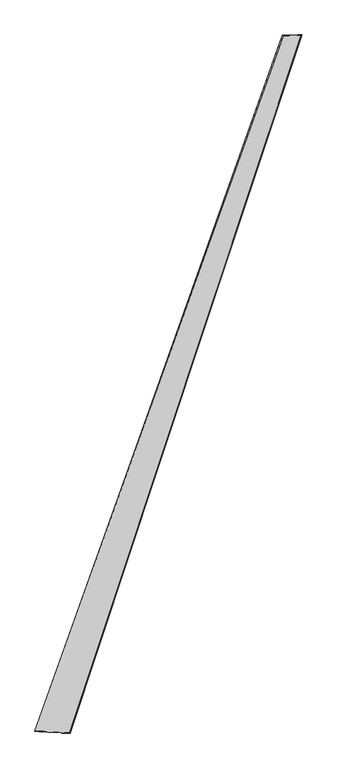
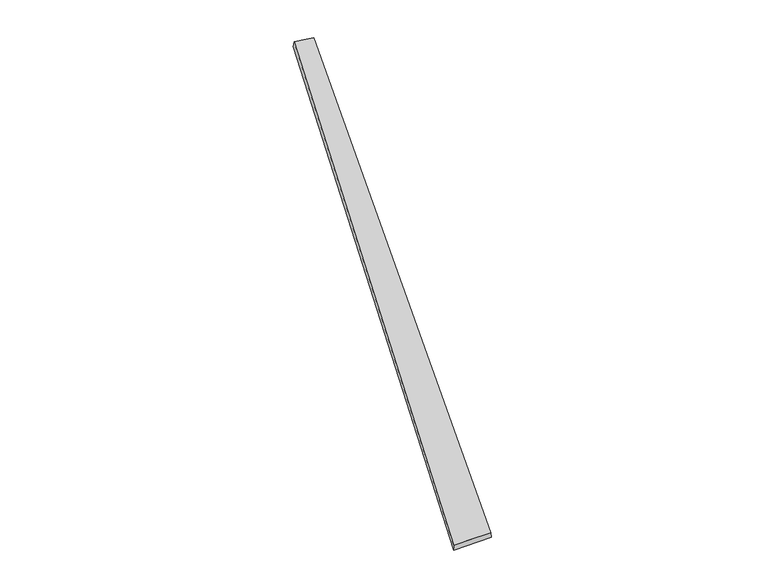
"""IFC4 building model written with IfcOpenShell, lengths in millimetres: proxy geometry."""

from ifc_helpers import new_model, si_unit, origin, place, context, project, spatial, source, transform, mapped, element, save
from ifc_brep_helpers import spline_surface, advanced_brep


def generic_models_4d3964a9(model_context):
    return source(origin(), model_context, "Body", "AdvancedBrep", [
        advanced_brep(
        [(-748.1558994, -1895.3282785, -4.7099502), (-749.4375454, -1894.969574, 25.2605138), (741.6397956, 2276.9031703, 38.2641174), (736.2978875, 2278.8982826, 8.8110438), (-540.1987843, -1904.371462, 34.6583665), (854.5244996, 2280.174711, 20.937105), (-538.8429592, -1904.9180519, 4.6940047), (850.7009711, 2281.3480478, -8.7950983)],
        [
            (0, 1),
            (1, 2),
            (2, 3),
            (3, 0),
            (1, 4),
            (4, 5),
            (5, 2),
            (4, 6),
            (6, 7),
            (7, 5),
            (6, 0),
            (3, 7),
        ],
        [
            spline_surface(1, 1, [[(-748.1558994, -1895.3282785, -4.7099502), (736.2978875, 2278.8982826, 8.8110438)], [(-749.4375454, -1894.969574, 25.2605138), (741.6397956, 2276.9031703, 38.2641174)]], [2, 2], [2, 2], [0.0, 1.0], [0.0, 1.0]),
            spline_surface(1, 1, [[(-749.4375454, -1894.969574, 25.2605138), (741.6397956, 2276.9031703, 38.2641174)], [(-540.1987843, -1904.371462, 34.6583665), (854.5244996, 2280.174711, 20.937105)]], [2, 2], [2, 2], [0.0, 1.0], [0.0, 1.0]),
            spline_surface(1, 1, [[(-540.1987843, -1904.371462, 34.6583665), (854.5244996, 2280.174711, 20.937105)], [(-538.8429592, -1904.9180519, 4.6940047), (850.7009711, 2281.3480478, -8.7950983)]], [2, 2], [2, 2], [0.0, 1.0], [0.0, 1.0]),
            spline_surface(1, 1, [[(-538.8429592, -1904.9180519, 4.6940047), (850.7009711, 2281.3480478, -8.7950983)], [(-748.1558994, -1895.3282785, -4.7099502), (736.2978875, 2278.8982826, 8.8110438)]], [2, 2], [2, 2], [0.0, 1.0], [0.0, 1.0]),
            spline_surface(1, 1, [[(741.6397956, 2276.9031703, 38.2641174), (736.2978875, 2278.8982826, 8.8110438)], [(854.5244996, 2280.174711, 20.937105), (850.7009711, 2281.3480478, -8.7950983)]], [2, 2], [2, 2], [0.0, 1.0], [0.0, 1.0]),
            spline_surface(1, 1, [[(-538.8429592, -1904.9180519, 4.6940047), (-748.1558994, -1895.3282785, -4.7099502)], [(-540.1987843, -1904.371462, 34.6583665), (-749.4375454, -1894.969574, 25.2605138)]], [2, 2], [2, 2], [0.0, 1.0], [0.0, 1.0]),
        ],
        [
            (0, [[1, 2, 3, 4]]),
            (1, [[5, 6, 7, -2]]),
            (2, [[8, 9, 10, -6]]),
            (3, [[11, -4, 12, -9]]),
            (4, [[-3, -7, -10, -12]]),
            (5, [[-11, -8, -5, -1]]),
        ],
    ),
    ])


if __name__ == "__main__":
    model = new_model("IFC4")
    model_context = context("Model", 3, world=origin())
    ifc_project = project(units=[si_unit("LENGTHUNIT", "METRE", prefix="MILLI")], contexts=[model_context])
    site = spatial("IfcSite", under=ifc_project)
    building = spatial("IfcBuilding", under=site)
    placement = place(None, origin())
    generic_models_shape = generic_models_4d3964a9(model_context)
    element("IfcBuildingElementProxy", 1, Name="Generic Models", at=placement, inside=building, context=model_context, shape_type="MappedRepresentation", body=[
        mapped(generic_models_shape, transform((0.0, 0.0, 0.0), x_axis=(1.0, 0.0, 0.0), y_axis=(0.0, 1.0, 0.0), z_axis=(0.0, 0.0, 1.0))),
    ])
    save(model, "model.ifc")
